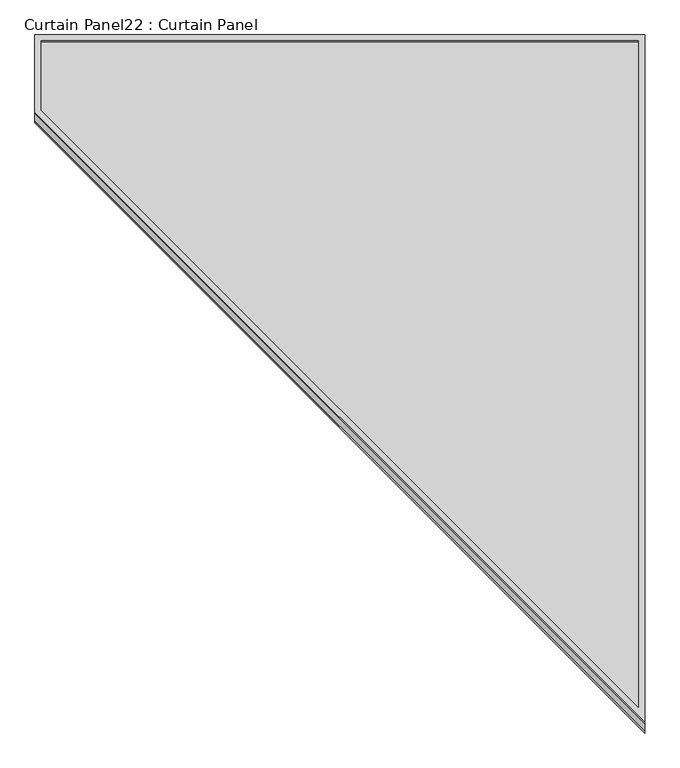
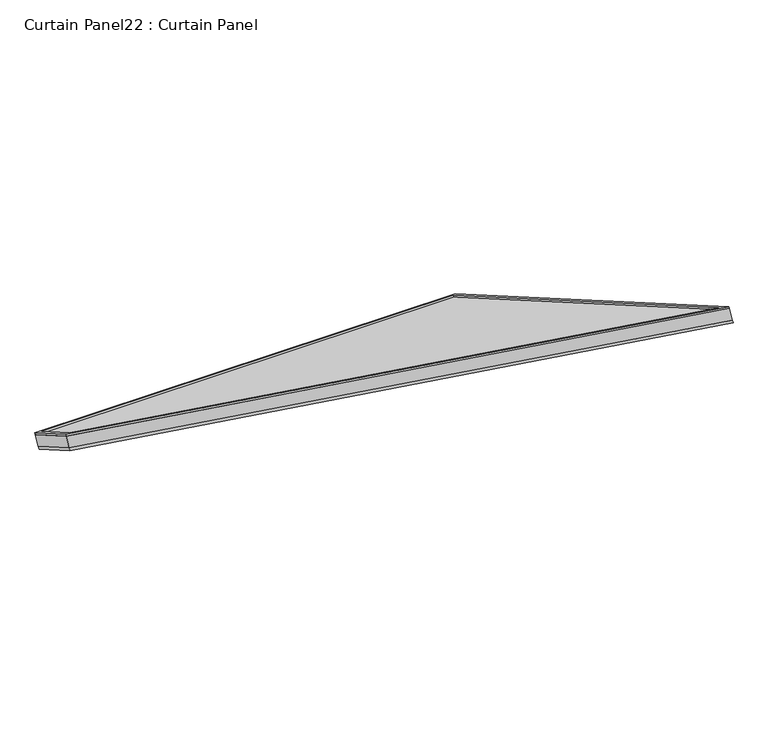
"""IFC4 building model written with IfcOpenShell, lengths in millimetres: plate geometry, Curtain Panel22 : Curtain Panel."""

from ifc_helpers import new_model, si_unit, frame, origin, place, context, project, spatial, polyline, outline, extrude, source, transform, mapped, element, save


def curtain_panel22_curtain_panel_71d566b5(model_context):
    return source(origin(), model_context, "Body", "SweptSolid", [
        extrude(outline(polyline([(1518.9634688, -12.7), (-34.0642673, -12.7), (1344.4172355, 1181.1), (1518.9634688, 1181.1), (1518.9634688, -12.7)]), holes=[polyline([(1506.2634688, 1168.4), (1349.152109, 1168.4), (0.0, 0.0), (1506.2634688, 0.0), (1506.2634688, 1168.4)])]), frame((-8359.7692107, 8593.8877657, 2045.425193), z_axis=(0.0, 0.5000000000000001, 0.8660254037844387), x_axis=(0.0, 0.8660254037844387, -0.5000000000000001)), (0.0, 0.0, 1.0), 4.742211),
        extrude(outline(polyline([(1518.9634688, -12.7), (-34.0642673, -12.7), (1344.4172355, 1181.1), (1518.9634688, 1181.1), (1518.9634688, -12.7)]), holes=[polyline([(1506.2634688, 1168.4), (1349.152109, 1168.4), (0.0, 0.0), (1506.2634688, 0.0), (1506.2634688, 1168.4)])]), frame((-8359.7692107, 8575.4474504, 2013.48563), z_axis=(0.0, 0.5000000000000001, 0.8660254037844387), x_axis=(0.0, 0.8660254037844387, -0.5000000000000001)), (0.0, 0.0, 1.0), 6.7181306),
        extrude(outline(polyline([(12.7, 0.0), (1206.5, 0.0), (1206.5, -1553.027736), (12.7, -174.5462333), (12.7, 0.0)])), frame((-9553.5692107, 9894.2674671, 1259.8219674), z_axis=(0.0, 0.49999999999999867, 0.8660254037844395), x_axis=(1.0, 0.0, 0.0)), (0.0, 0.0, 1.0), 30.1625),
    ])


if __name__ == "__main__":
    model = new_model("IFC4")
    model_context = context("Model", 3, world=origin())
    ifc_project = project(units=[si_unit("LENGTHUNIT", "METRE", prefix="MILLI")], contexts=[model_context])
    site = spatial("IfcSite", under=ifc_project)
    building = spatial("IfcBuilding", under=site)
    placement = place(None, origin())
    curtain_panel22_curtain_panel_shape = curtain_panel22_curtain_panel_71d566b5(model_context)
    element("IfcPlate", 1, ObjectType="Curtain Panel22 : Curtain Panel", at=placement, inside=building, context=model_context, shape_type="MappedRepresentation", body=[
        mapped(curtain_panel22_curtain_panel_shape, transform((0.0, 0.0, 0.0), x_axis=(1.0, 0.0, 0.0), y_axis=(0.0, 1.0, 0.0), z_axis=(0.0, 0.0, 1.0))),
    ])
    save(model, "model.ifc")
